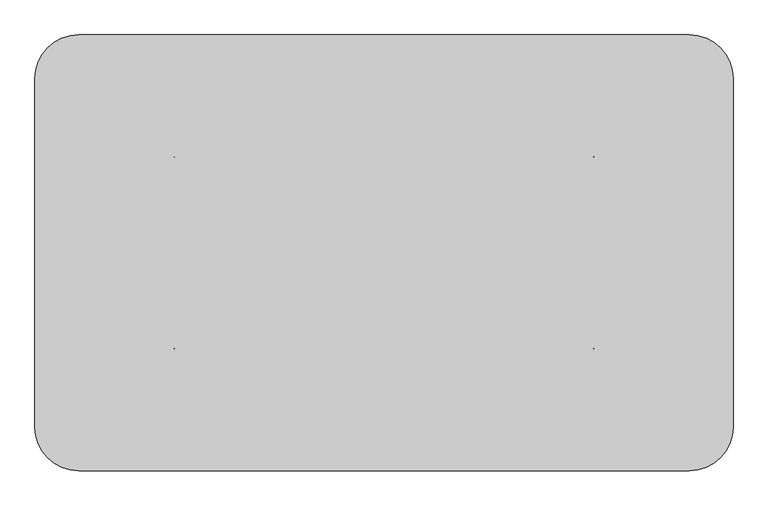
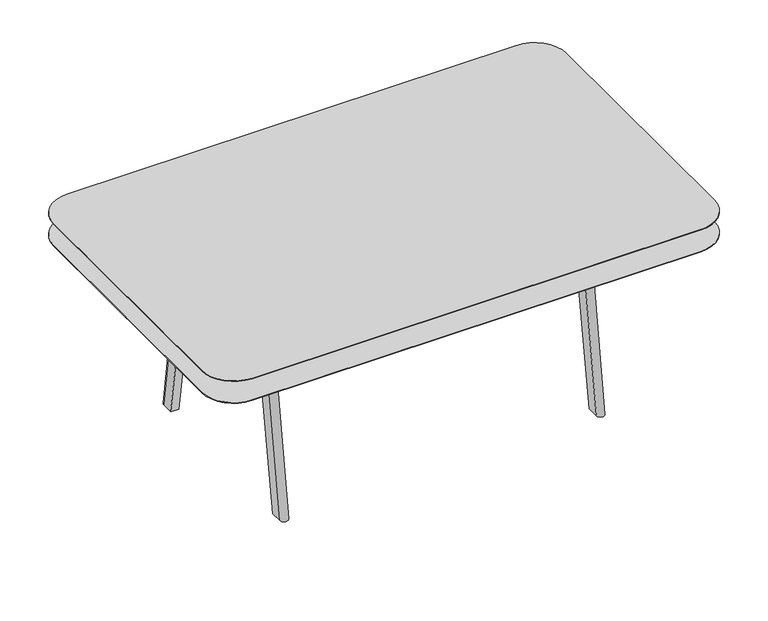
"""IFC4 building model written with IfcOpenShell, lengths in millimetres: furniture geometry."""

from ifc_helpers import new_model, si_unit, point, frame, frame_2d, origin, place, context, project, spatial, polyline, circle_curve, trimmed, segment, composite_curve, outline, extrude, source, transform, mapped, element, save
from ifc_brep_helpers import plane_surface, revolved_surface, extruded_surface, spline_surface, advanced_brep


def furniture_9c24b700(model_context):
    return source(origin(), model_context, "Body", "SolidModel", [
        extrude(outline(composite_curve([segment(trimmed(circle_curve(frame_2d((180.0860523, 1088.1700592)), 152.4), [point((180.0860523, 1240.5700592))], [point((332.4860523, 1088.1700592))], False, "CARTESIAN"), True, "CONTINUOUS"), segment(polyline([(332.4860523, 1088.1700592), (332.4860523, -131.0299408)]), True, "CONTINUOUS"), segment(trimmed(circle_curve(frame_2d((180.0860523, -131.0299408)), 152.4), [point((332.4860523, -131.0299408))], [point((180.0860523, -283.4299408))], False, "CARTESIAN"), True, "CONTINUOUS"), segment(polyline([(180.0860523, -283.4299408), (-1953.5139477, -283.4299408)]), True, "CONTINUOUS"), segment(trimmed(circle_curve(frame_2d((-1953.5139477, -131.0299408)), 152.4), [point((-1953.5139477, -283.4299408))], [point((-2105.9139477, -131.0299408))], False, "CARTESIAN"), True, "CONTINUOUS"), segment(polyline([(-2105.9139477, -131.0299408), (-2105.9139477, 1088.1700592)]), True, "CONTINUOUS"), segment(trimmed(circle_curve(frame_2d((-1953.5139477, 1088.1700592)), 152.4), [point((-2105.9139477, 1088.1700592))], [point((-1953.5139477, 1240.5700592))], False, "CARTESIAN"), True, "CONTINUOUS"), segment(polyline([(-1953.5139477, 1240.5700592), (180.0860523, 1240.5700592)]), True, "CONTINUOUS")], self_intersect=False)), frame((0.0, 0.0, 878.1216427), z_axis=(0.0, 0.0, 1.0), x_axis=(1.0, 0.0, 0.0)), (0.0, 0.0, 1.0), 3.175),
        extrude(outline(composite_curve([segment(trimmed(circle_curve(frame_2d((180.0860523, 1088.1700592)), 152.4), [point((180.0860523, 1240.5700592))], [point((332.4860523, 1088.1700592))], False, "CARTESIAN"), True, "CONTINUOUS"), segment(polyline([(332.4860523, 1088.1700592), (332.4860523, -131.0299408)]), True, "CONTINUOUS"), segment(trimmed(circle_curve(frame_2d((180.0860523, -131.0299408)), 152.4), [point((332.4860523, -131.0299408))], [point((180.0860523, -283.4299408))], False, "CARTESIAN"), True, "CONTINUOUS"), segment(polyline([(180.0860523, -283.4299408), (-1953.5139477, -283.4299408)]), True, "CONTINUOUS"), segment(trimmed(circle_curve(frame_2d((-1953.5139477, -131.0299408)), 152.4), [point((-1953.5139477, -283.4299408))], [point((-2105.9139477, -131.0299408))], False, "CARTESIAN"), True, "CONTINUOUS"), segment(polyline([(-2105.9139477, -131.0299408), (-2105.9139477, 1088.1700592)]), True, "CONTINUOUS"), segment(trimmed(circle_curve(frame_2d((-1953.5139477, 1088.1700592)), 152.4), [point((-2105.9139477, 1088.1700592))], [point((-1953.5139477, 1240.5700592))], False, "CARTESIAN"), True, "CONTINUOUS"), segment(polyline([(-1953.5139477, 1240.5700592), (180.0860523, 1240.5700592)]), True, "CONTINUOUS")], self_intersect=False)), frame((0.0, 0.0, 987.9563894), z_axis=(0.0, 0.0, 1.0), x_axis=(1.0, 0.0, 0.0)), (0.0, 0.0, 1.0), 2.6436106),
        advanced_brep(
        [(180.086016, 1240.5700592, 987.9563894), (-408.1414617, 1240.5700592, 987.9563894), (-1951.2279438, 1240.5700592, 987.9563894), (-2105.9139477, 1085.8840553, 987.9563894), (-2105.9139477, -131.0299408, 987.9563894), (-1953.5139477, -283.4299408, 987.9563894), (-408.1414617, -283.4299408, 987.9563894), (180.1088442, -283.4299408, 987.9563894), (332.4860523, -131.0527327, 987.9563894), (332.4860523, 438.4859882, 987.9563894), (332.4860523, 823.4541302, 987.9563894), (332.4860523, 1088.1700229, 987.9563894), (180.086016, 1189.7700592, 967.1357346), (281.6860523, 1088.1700229, 967.1357346), (281.6860523, 1019.898828, 967.1357346), (281.6860523, 460.7920856, 967.1357346), (281.6860523, -131.0299166, 967.1357346), (180.0860523, -232.6299166, 967.1357346), (-427.9413185, -232.6299166, 967.1357346), (-1951.2279438, -232.6299166, 967.1357346), (-2052.8279438, -131.0299166, 967.1357346), (-2052.8279438, 1088.1700592, 967.1357346), (-1951.2279438, 1189.7700592, 967.1357346)],
        [
            (0, 1),
            (1, 2),
            (2, 3, circle_curve(frame((-1951.2279438, 1085.8840553, 987.9563894), z_axis=(0.0, 0.0, 1.0), x_axis=(0.0, -1.0, 0.0)), 154.6860039)),
            (3, 4),
            (4, 5, circle_curve(frame((-1953.5139477, -131.0299408, 987.9563894), z_axis=(0.0, 0.0, 1.0), x_axis=(0.0, -1.0, 0.0)), 152.4)),
            (5, 6),
            (6, 7),
            (7, 8, circle_curve(frame((180.1088442, -131.0527327, 987.9563894), z_axis=(0.0, 0.0, 1.0), x_axis=(0.0, -1.0, 0.0)), 152.3772081)),
            (8, 9),
            (9, 10),
            (10, 11),
            (11, 0, circle_curve(frame((180.086016, 1088.1700229, 987.9563894), z_axis=(3.0149125599671095e-12, -5.083906462305724e-12, 1.0), x_axis=(1.0, 0.0, -3.014931751972623e-12)), 152.4000363)),
            (12, 13, circle_curve(frame((180.086016, 1088.1700229, 967.1357346), z_axis=(-3.0149125599671095e-12, 5.083906462305724e-12, -1.0), x_axis=(1.0, 0.0, -3.014931751972623e-12)), 101.6000363)),
            (13, 14),
            (14, 15),
            (15, 16),
            (16, 17, circle_curve(frame((180.0860523, -131.0299166, 967.1357346), z_axis=(0.0, 0.0, -1.0), x_axis=(0.0, -1.0, 0.0)), 101.6)),
            (17, 18),
            (18, 19),
            (19, 20, circle_curve(frame((-1951.2279438, -131.0299166, 967.1357346), z_axis=(0.0, 0.0, -1.0), x_axis=(0.0, -1.0, 0.0)), 101.6)),
            (20, 21),
            (21, 22, circle_curve(frame((-1951.2279438, 1088.1700592, 967.1357346), z_axis=(0.0, 0.0, -1.0), x_axis=(0.0, -1.0, 0.0)), 101.6)),
            (22, 12),
            (22, 2),
            (1, 12),
            (21, 3),
            (20, 4),
            (19, 5),
            (18, 6),
            (14, 10),
            (9, 15),
            (17, 7),
            (16, 8),
            (13, 11),
            (12, 0),
        ],
        [
            plane_surface(frame((-603.5594701, 503.7776565, 987.9563894), z_axis=(0.0, 0.0, 1.0), x_axis=(-1.0, 0.0, 0.0))),
            plane_surface(frame((-631.7397106, 461.5110483, 967.1357346), z_axis=(0.0, 0.0, -1.0), x_axis=(-1.0, 0.0, 0.0))),
            plane_surface(frame((-885.5709639, 1189.7700592, 967.1357346), z_axis=(0.0, 0.37923874348745606, -0.9252988573634227), x_axis=(-1.0, 0.0, 0.0))),
            spline_surface(2, 1, [[(-1951.2279438, 1189.7700592, 967.1357346), (-1951.2279438, 1240.5700592, 987.9563894)], [(-2052.8279438, 1189.7700592000003, 967.1357346), (-2105.9139477, 1240.5700592000003, 987.9563894)], [(-2052.8279438, 1088.1700592, 967.1357346), (-2105.9139477, 1085.8840553, 987.9563894)]], [3, 3], [2, 2], [0.0, 1.0], [0.0, 1.0], weights=[[1.0, 1.0], [0.707106781186547, 0.707106781186547], [1.0, 1.0]]),
            plane_surface(frame((-2052.8279438, 478.5700713, 967.1357346), z_axis=(-0.3651272616952556, 0.0, -0.930957615988464), x_axis=(0.0, -1.0, 0.0))),
            spline_surface(2, 1, [[(-2052.8279438, -131.0299166, 967.1357346), (-2105.9139477, -131.0299408, 987.9563894)], [(-2052.8279438, -232.62991659999992, 967.1357346), (-2105.9139477, -283.4299407999998, 987.9563894)], [(-1951.2279438, -232.6299166, 967.1357346), (-1953.5139477, -283.4299408, 987.9563894)]], [3, 3], [2, 2], [0.0, 1.0], [0.0, 1.0], weights=[[1.0, 1.0], [0.7071067811865478, 0.7071067811865478], [1.0, 1.0]]),
            plane_surface(frame((-1189.5846311, -232.6299166, 967.1357346), z_axis=(0.0, -0.37923858865960286, -0.9252989208204409), x_axis=(1.0, 0.0, 0.0))),
            plane_surface(frame((281.6860523, 740.3454568, 967.1357346), z_axis=(0.3792387434863721, 0.0, -0.925298857363867), x_axis=(0.0, 1.0, 0.0))),
            plane_surface(frame((-123.9276331, -232.6299166, 967.1357346), z_axis=(0.0, -0.3792385886595965, -0.9252989208204435), x_axis=(1.0, 0.0, 0.0))),
            spline_surface(2, 1, [[(180.0860523, -232.6299166, 967.1357346), (180.1088442, -283.4299408, 987.9563894)], [(281.68605230000003, -232.6299166, 967.1357346), (332.4860523, -283.4299408, 987.9563894)], [(281.6860523, -131.0299166, 967.1357346), (332.4860523, -131.0527327, 987.9563894)]], [3, 3], [2, 2], [0.0, 1.0], [0.0, 1.0], weights=[[1.0, 1.0], [0.7071067811865476, 0.7071067811865476], [1.0, 1.0]]),
            plane_surface(frame((281.6860523, 164.8810845, 967.1357346), z_axis=(0.3792387434863721, 0.0, -0.925298857363867), x_axis=(0.0, 1.0, 0.0))),
            plane_surface(frame((281.6860523, 1054.0344255, 967.1357346), z_axis=(0.3792387434863721, 0.0, -0.925298857363867), x_axis=(0.0, 1.0, 0.0))),
            revolved_surface(polyline([(180.086016, 1189.7700593807535, 967.1357346), (180.086016, 1240.5700592030116, 987.9563894012343)]), (180.086016, 1088.1700229, 925.4944099), (3.0149125599671095e-12, -5.083906462305724e-12, 1.0)),
            plane_surface(frame((180.086016, 1189.7700592, 967.1357346), z_axis=(0.0, 0.37923874348745407, -0.9252988573634234), x_axis=(-1.0, 0.0, 0.0))),
        ],
        [
            (0, [[1, 2, 3, 4, 5, 6, 7, 8, 9, 10, 11, 12]]),
            (1, [[13, 14, 15, 16, 17, 18, 19, 20, 21, 22, 23]]),
            (2, [[-23, 24, -2, 25]]),
            (3, [[-22, 26, -3, -24]]),
            (4, [[-21, 27, -4, -26]]),
            (5, [[-20, 28, -5, -27]]),
            (6, [[-19, 29, -6, -28]]),
            (7, [[-15, 30, -10, 31]]),
            (8, [[-18, 32, -7, -29]]),
            (9, [[-17, 33, -8, -32]]),
            (10, [[-16, -31, -9, -33]]),
            (11, [[-14, 34, -11, -30]]),
            (12, [[-13, 35, -12, -34]]),
            (13, [[-1, -35, -25]]),
        ],
    ),
        advanced_brep(
        [(-1657.9827564, 812.8563452, 967.1357346), (-1657.9827564, 746.7341595, 967.1357346), (-1618.6841881, 746.7341595, 967.1357346), (-1618.6841881, 812.8563452, 967.1357346), (-1657.9827564, 956.7201704, 0.0), (-1618.6841881, 956.7201704, 0.0), (-1618.6841881, 899.4854099, 0.0), (-1657.9827564, 899.4854099, 0.0)],
        [
            (0, 1),
            (1, 2),
            (2, 3),
            (3, 0, circle_curve(frame((-1638.3334722, 812.8563452, 967.1357346), z_axis=(0.0, 0.0, 1.0), x_axis=(0.0, -1.0, 0.0)), 19.6492841)),
            (4, 5, circle_curve(frame((-1638.3334722, 956.7201704, 0.0), z_axis=(0.0, 0.0, -1.0), x_axis=(0.0, -1.0, 0.0)), 19.6492841)),
            (5, 6),
            (6, 7),
            (7, 4),
            (4, 0),
            (3, 5),
            (2, 6),
            (1, 7),
        ],
        [
            plane_surface(frame((-1638.3334722, 779.7952524, 967.1357346), z_axis=(0.0, 0.0, 1.0), x_axis=(0.0, -1.0, 0.0))),
            plane_surface(frame((-1638.3334722, 928.1027901, 0.0), z_axis=(0.0, 0.0, -1.0), x_axis=(0.0, -1.0, 0.0))),
            extruded_surface(trimmed(circle_curve(frame((-1638.3334722, 956.7201704, 0.0), z_axis=(0.0, 0.0, 1.0), x_axis=(0.0, -1.0, 0.0)), 19.6492841), [point((-1618.6841881, 956.7201704, 0.0))], [point((-1657.9827564, 956.7201704, 0.0))], True, "CARTESIAN"), (0.0, -143.86382520000006, 967.1357346), 977.7772391201678),
            plane_surface(frame((-1618.6841881, 928.1027901, 0.0), z_axis=(1.0, 0.0, 0.0), x_axis=(0.0, 1.0, 0.0))),
            plane_surface(frame((-1638.3334722, 899.4854099, 0.0), z_axis=(0.0, -0.987755788374589, -0.15600802073128878), x_axis=(1.0, 0.0, 0.0))),
            plane_surface(frame((-1657.9827564, 928.1027901, 0.0), z_axis=(-1.0, 0.0, 0.0), x_axis=(0.0, -1.0, 0.0))),
        ],
        [
            (0, [[1, 2, 3, 4]]),
            (1, [[5, 6, 7, 8]]),
            (2, [[-5, 9, -4, 10]]),
            (3, [[-6, -10, -3, 11]]),
            (4, [[-7, -11, -2, 12]]),
            (5, [[-8, -12, -1, -9]]),
        ],
    ),
        advanced_brep(
        [(-1657.9827564, 144.2837732, 967.1357346), (-1618.6841881, 144.2837732, 967.1357346), (-1618.6841881, 210.4060249, 967.1357346), (-1657.9827564, 210.4060249, 967.1357346), (-1657.9827564, 0.4199481, 0.0), (-1657.9827564, 57.6547085, 0.0), (-1618.6841881, 57.6547085, 0.0), (-1618.6841881, 0.4199481, 0.0)],
        [
            (0, 1, circle_curve(frame((-1638.3334722, 144.2837732, 967.1357346), z_axis=(0.0, 0.0, 1.0), x_axis=(0.0, -1.0, 0.0)), 19.6492841)),
            (1, 2),
            (2, 3),
            (3, 0),
            (4, 5),
            (5, 6),
            (6, 7),
            (7, 4, circle_curve(frame((-1638.3334722, 0.4199481, 0.0), z_axis=(0.0, 0.0, -1.0), x_axis=(0.0, -1.0, 0.0)), 19.6492841)),
            (7, 1),
            (0, 4),
            (6, 2),
            (5, 3),
        ],
        [
            plane_surface(frame((-1638.3334722, 177.3448991, 967.1357346), z_axis=(0.0, 0.0, 1.0), x_axis=(0.0, -1.0, 0.0))),
            plane_surface(frame((-1638.3334722, 29.0373283, 0.0), z_axis=(0.0, 0.0, -1.0), x_axis=(0.0, -1.0, 0.0))),
            extruded_surface(trimmed(circle_curve(frame((-1638.3334722, 0.4199481, 0.0), z_axis=(0.0, 0.0, 1.0), x_axis=(0.0, -1.0, 0.0)), 19.6492841), [point((-1657.9827564, 0.4199481, 0.0))], [point((-1618.6841881, 0.4199481, 0.0))], True, "CARTESIAN"), (0.0, 143.8638251, 967.1357346), 977.7772391054544),
            plane_surface(frame((-1618.6841881, 29.0373283, 0.0), z_axis=(1.0, 0.0, 0.0), x_axis=(0.0, 1.0, 0.0))),
            plane_surface(frame((-1638.3334722, 57.6547085, 0.0), z_axis=(0.0, 0.9877557779905404, -0.15600808647727984), x_axis=(-1.0, 0.0, 0.0))),
            plane_surface(frame((-1657.9827564, 29.0373283, 0.0), z_axis=(-1.0, 0.0, 0.0), x_axis=(0.0, -1.0, 0.0))),
        ],
        [
            (0, [[1, 2, 3, 4]]),
            (1, [[5, 6, 7, 8]]),
            (2, [[-8, 9, -1, 10]]),
            (3, [[-7, 11, -2, -9]]),
            (4, [[-6, 12, -3, -11]]),
            (5, [[-5, -10, -4, -12]]),
        ],
    ),
        advanced_brep(
        [(-115.445139, 812.8563452, 967.1357346), (-154.8163913, 812.8563452, 967.1357346), (-154.8163913, 746.7341595, 967.1357346), (-115.445139, 746.7341595, 967.1357346), (-115.445139, 956.7201704, 0.0), (-115.445139, 899.4854099, 0.0), (-154.8163913, 899.4854099, 0.0), (-154.8163913, 956.7201704, 0.0)],
        [
            (0, 1, circle_curve(frame((-135.1307652, 812.8563452, 967.1357346), z_axis=(0.0, 0.0, 1.0), x_axis=(0.0, 1.0, 0.0)), 19.6856262)),
            (1, 2),
            (2, 3),
            (3, 0),
            (4, 5),
            (5, 6),
            (6, 7),
            (7, 4, circle_curve(frame((-135.1307652, 956.7201704, 0.0), z_axis=(0.0, 0.0, -1.0), x_axis=(0.0, 1.0, 0.0)), 19.6856262)),
            (7, 1),
            (0, 4),
            (6, 2),
            (5, 3),
        ],
        [
            plane_surface(frame((-135.1307652, 779.7952524, 967.1357346), z_axis=(0.0, 0.0, 1.0), x_axis=(0.0, 1.0, 0.0))),
            plane_surface(frame((-135.1307652, 928.1027901, 0.0), z_axis=(0.0, 0.0, -1.0), x_axis=(0.0, 1.0, 0.0))),
            extruded_surface(trimmed(circle_curve(frame((-135.1307652, 956.7201704, 0.0), z_axis=(0.0, 0.0, 1.0), x_axis=(0.0, 1.0, 0.0)), 19.6856262), [point((-115.445139, 956.7201704, 0.0))], [point((-154.8163913, 956.7201704, 0.0))], True, "CARTESIAN"), (0.0, -143.86382520000006, 967.1357346), 977.7772391201678),
            plane_surface(frame((-154.8163913, 928.1027901, 0.0), z_axis=(-1.0, 0.0, 0.0), x_axis=(0.0, -1.0, 0.0))),
            plane_surface(frame((-135.1307652, 899.4854099, 0.0), z_axis=(0.0, -0.9877557883745888, -0.15600802073129058), x_axis=(1.0, 0.0, 0.0))),
            plane_surface(frame((-115.445139, 928.1027901, 0.0), z_axis=(1.0, 0.0, 0.0), x_axis=(0.0, 1.0, 0.0))),
        ],
        [
            (0, [[1, 2, 3, 4]]),
            (1, [[5, 6, 7, 8]]),
            (2, [[-8, 9, -1, 10]]),
            (3, [[-7, 11, -2, -9]]),
            (4, [[-6, 12, -3, -11]]),
            (5, [[-5, -10, -4, -12]]),
        ],
    ),
        extrude(outline(polyline([(-164.3126207, 270.4008185), (-164.3126207, 210.4060249), (-1612.1126207, 210.4060249), (-1612.1126207, 270.4008185), (-164.3126207, 270.4008185)])), frame((0.0, 0.0, 881.2966427), z_axis=(0.0, 0.0, 1.0), x_axis=(1.0, 0.0, 0.0)), (0.0, 0.0, 1.0), 85.8390919),
        extrude(outline(polyline([(-164.3126207, 746.7341595), (-164.3126207, 704.3252656), (-1612.1126207, 704.3252656), (-1612.1126207, 746.7341595), (-164.3126207, 746.7341595)])), frame((0.0, 0.0, 881.2966427), z_axis=(0.0, 0.0, 1.0), x_axis=(1.0, 0.0, 0.0)), (0.0, 0.0, 1.0), 85.8390919),
        advanced_brep(
        [(-115.445139, 144.2837732, 967.1357346), (-115.445139, 210.4060249, 967.1357346), (-154.8163913, 210.4060249, 967.1357346), (-154.8163913, 144.2837732, 967.1357346), (-115.445139, 0.4199481, 0.0), (-154.8163913, 0.4199481, 0.0), (-154.8163913, 57.6547085, 0.0), (-115.445139, 57.6547085, 0.0)],
        [
            (0, 1),
            (1, 2),
            (2, 3),
            (3, 0, circle_curve(frame((-135.1307652, 144.2837732, 967.1357346), z_axis=(0.0, 0.0, 1.0), x_axis=(0.0, 1.0, 0.0)), 19.6856262)),
            (4, 5, circle_curve(frame((-135.1307652, 0.4199481, 0.0), z_axis=(0.0, 0.0, -1.0), x_axis=(0.0, 1.0, 0.0)), 19.6856262)),
            (5, 6),
            (6, 7),
            (7, 4),
            (4, 0),
            (3, 5),
            (2, 6),
            (1, 7),
        ],
        [
            plane_surface(frame((-135.1307652, 177.3448991, 967.1357346), z_axis=(0.0, 0.0, 1.0), x_axis=(0.0, 1.0, 0.0))),
            plane_surface(frame((-135.1307652, 29.0373283, 0.0), z_axis=(0.0, 0.0, -1.0), x_axis=(0.0, 1.0, 0.0))),
            extruded_surface(trimmed(circle_curve(frame((-135.1307652, 0.4199481, 0.0), z_axis=(0.0, 0.0, 1.0), x_axis=(0.0, 1.0, 0.0)), 19.6856262), [point((-154.8163913, 0.4199481, 0.0))], [point((-115.445139, 0.4199481, 0.0))], True, "CARTESIAN"), (0.0, 143.8638251, 967.1357346), 977.7772391054544),
            plane_surface(frame((-154.8163913, 29.0373283, 0.0), z_axis=(-1.0, 0.0, 0.0), x_axis=(0.0, -1.0, 0.0))),
            plane_surface(frame((-135.1307652, 57.6547085, 0.0), z_axis=(0.0, 0.9877557779905424, -0.1560080864772668), x_axis=(-1.0, 0.0, 0.0))),
            plane_surface(frame((-115.445139, 29.0373283, 0.0), z_axis=(1.0, 0.0, 0.0), x_axis=(0.0, 1.0, 0.0))),
        ],
        [
            (0, [[1, 2, 3, 4]]),
            (1, [[5, 6, 7, 8]]),
            (2, [[-5, 9, -4, 10]]),
            (3, [[-6, -10, -3, 11]]),
            (4, [[-7, -11, -2, 12]]),
            (5, [[-8, -12, -1, -9]]),
        ],
    ),
        extrude(outline(polyline([(-115.445139, 210.4060249), (-164.3126207, 210.4060249), (-164.3126207, 764.3200592), (-115.445139, 764.3200592), (-115.445139, 210.4060249)])), frame((0.0, 0.0, 881.2966427), z_axis=(0.0, 0.0, 1.0), x_axis=(1.0, 0.0, 0.0)), (0.0, 0.0, 1.0), 85.8390919),
        extrude(outline(polyline([(-1612.1126207, 210.4060249), (-1657.9827564, 210.4060249), (-1657.9827564, 764.3200592), (-1612.1126207, 764.3200592), (-1612.1126207, 210.4060249)])), frame((0.0, 0.0, 881.2966427), z_axis=(0.0, 0.0, 1.0), x_axis=(1.0, 0.0, 0.0)), (0.0, 0.0, 1.0), 85.8390919),
    ])


if __name__ == "__main__":
    model = new_model("IFC4")
    model_context = context("Model", 3, world=origin())
    ifc_project = project(units=[si_unit("LENGTHUNIT", "METRE", prefix="MILLI")], contexts=[model_context])
    site = spatial("IfcSite", under=ifc_project)
    building = spatial("IfcBuilding", under=site)
    placement = place(None, origin())
    furniture_shape = furniture_9c24b700(model_context)
    element("IfcFurniture", 1, at=placement, inside=building, context=model_context, shape_type="MappedRepresentation", body=[
        mapped(furniture_shape, transform((0.0, 0.0, 0.0), x_axis=(1.0, 0.0, 0.0), y_axis=(0.0, 1.0, 0.0), z_axis=(0.0, 0.0, 1.0))),
    ])
    save(model, "model.ifc")
